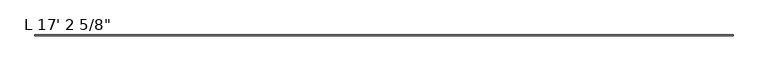
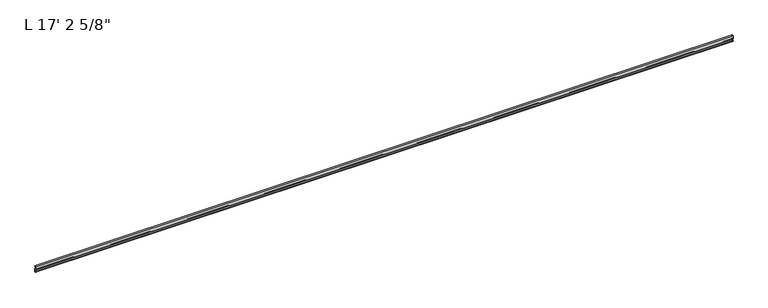
"""IFC4 building model written with IfcOpenShell, lengths in millimetres: proxy geometry."""

from ifc_helpers import new_model, si_unit, point, frame, frame_2d, origin, place, context, project, spatial, polyline, circle_curve, trimmed, segment, composite_curve, outline, extrude, source, transform, mapped, element, save


def proxy_d3c393dd(model_context):
    return source(origin(), model_context, "Body", "SweptSolid", [
        extrude(outline(composite_curve([segment(trimmed(circle_curve(frame_2d((14.5481808, -29.2063136)), 3.048), [point((13.6400687, -32.1158903))], [point((11.9462301, -30.7938136))], False, "CARTESIAN"), True, "CONTINUOUS"), segment(trimmed(circle_curve(frame_2d((14.5481808, -29.2063136)), 3.048), [point((11.9462301, -30.7938136))], [point((13.6400687, -26.2967369))], False, "CARTESIAN"), True, "CONTINUOUS"), segment(polyline([(13.6400687, -26.2967369), (15.4364113, -25.7360779)]), True, "CONTINUOUS"), segment(trimmed(circle_curve(frame_2d((15.6245238, -26.2747792)), 0.5706009), [point((15.4364113, -25.7360779))], [point((16.1779173, -26.4138515))], False, "CARTESIAN"), True, "CONTINUOUS"), segment(trimmed(circle_curve(frame_2d((16.9169378, -26.5995734)), 0.762), [point((16.1779173, -26.4138515))], [point((16.9376166, -27.3612928))], True, "CARTESIAN"), True, "CONTINUOUS"), segment(trimmed(circle_curve(frame_2d((16.9545, -26.8535734)), 0.508), [point((16.9376166, -27.3612928))], [point((17.4625, -26.8535734))], True, "CARTESIAN"), True, "CONTINUOUS"), segment(polyline([(17.4625, -26.8535734), (17.4625, -15.6659614), (17.9716639, -14.7485418), (17.9716639, -13.408381), (17.4625, -12.4909614), (17.4625, -10.1123329)]), True, "CONTINUOUS"), segment(trimmed(circle_curve(frame_2d((15.875, -10.1123329)), 1.5875), [point((17.4625, -10.1123329))], [point((15.875, -8.5248329))], True, "CARTESIAN"), True, "CONTINUOUS"), segment(polyline([(15.875, -8.5248329), (11.1125, -8.5248329), (11.1125, 16.8792515), (19.05, 16.8792515), (19.05, 13.7042515), (17.4625, 13.7042515), (17.4625, 15.2917515), (12.7, 15.2917515), (12.7, -6.9145734), (17.4625, -6.9145734)]), True, "CONTINUOUS"), segment(trimmed(circle_curve(frame_2d((17.4625, -8.5020734)), 1.5875), [point((17.4625, -6.9145734))], [point((19.05, -8.5020734))], False, "CARTESIAN"), True, "CONTINUOUS"), segment(polyline([(19.05, -8.5020734), (19.05, -29.1395734), (17.7424378, -29.1395734)]), True, "CONTINUOUS"), segment(trimmed(circle_curve(frame_2d((17.7424378, -30.7270734)), 1.5875), [point((17.7424378, -29.1395734))], [point((16.1549378, -30.7270734))], True, "CARTESIAN"), True, "CONTINUOUS"), segment(polyline([(16.1549378, -30.7270734), (16.1549378, -32.2686835)]), True, "CONTINUOUS"), segment(trimmed(circle_curve(frame_2d((15.6853088, -32.2686835)), 0.4696291), [point((16.1549378, -32.2686835))], [point((15.4750158, -32.6885982))], False, "CARTESIAN"), True, "CONTINUOUS"), segment(polyline([(15.4750158, -32.6885982), (13.6400687, -32.1158903)]), True, "CONTINUOUS")], self_intersect=False)), frame((-4943.475, 0.0, 0.0), z_axis=(1.0, 0.0, 0.0), x_axis=(0.0, 1.0, 0.0)), (0.0, 0.0, 1.0), 5248.275),
    ])


if __name__ == "__main__":
    model = new_model("IFC4")
    model_context = context("Model", 3, world=origin())
    ifc_project = project(units=[si_unit("LENGTHUNIT", "METRE", prefix="MILLI")], contexts=[model_context])
    site = spatial("IfcSite", under=ifc_project)
    building = spatial("IfcBuilding", under=site)
    placement = place(None, origin())
    proxy_shape = proxy_d3c393dd(model_context)
    element("IfcBuildingElementProxy", 1, Name="L 17' 2 5/8\"", ObjectType="L 17' 2 5/8\"", at=placement, inside=building, context=model_context, shape_type="MappedRepresentation", body=[
        mapped(proxy_shape, transform((0.0, 0.0, 0.0), x_axis=(1.0, 0.0, 0.0), y_axis=(0.0, 1.0, 0.0), z_axis=(0.0, 0.0, 1.0))),
    ])
    save(model, "model.ifc")
